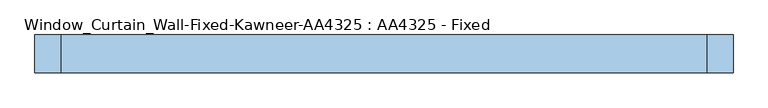
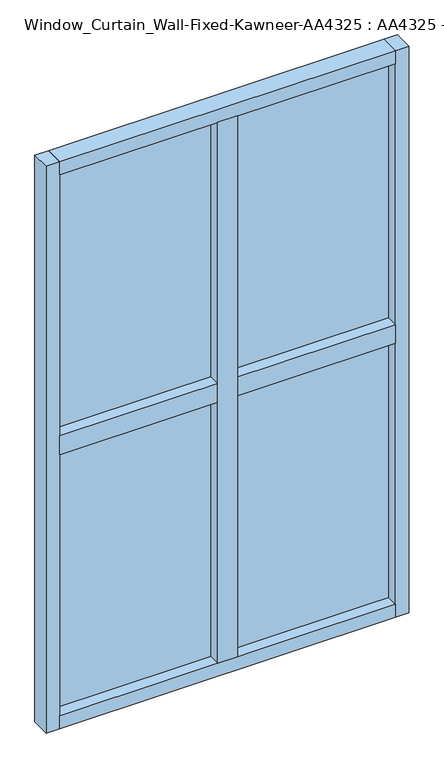
"""IFC4 building model written with IfcOpenShell, lengths in millimetres: window geometry, Window_Curtain_Wall-Fixed-Kawneer-AA4325 : AA4325 - Fixed."""

from ifc_helpers import new_model, si_unit, frame, origin, origin_with_axes, place, context, project, spatial, polyline, outline, extrude, source, transform, mapped, element, save


def window_curtain_wall_fixed_kawneer_aa4325_aa4325_fixed_8e82d17f(model_context):
    return source(origin(), model_context, "Body", "SweptSolid", [
        extrude(outline(polyline([(692.15, 34.925), (692.15, 9.525), (-717.55, 9.525), (-717.55, 34.925), (692.15, 34.925)])), frame((0.0, 0.0, 57.15), z_axis=(0.0, 0.0, 1.0), x_axis=(1.0, 0.0, 0.0)), (0.0, 0.0, 1.0), 2400.3),
        extrude(outline(polyline([(28.575, 41.275), (28.575, -41.275), (-53.975, -41.275), (-53.975, 41.275), (28.575, 41.275)])), frame((0.0, 0.0, 57.15), z_axis=(0.0, 0.0, 1.0), x_axis=(1.0, 0.0, 0.0)), (0.0, 0.0, 1.0), 2400.3),
        extrude(outline(polyline([(-717.55, -41.275), (-717.55, 41.275), (692.15, 41.275), (692.15, -41.275), (-717.55, -41.275)])), frame((0.0, 0.0, 1216.025), z_axis=(0.0, 0.0, 1.0), x_axis=(1.0, 0.0, 0.0)), (0.0, 0.0, 1.0), 82.55),
        extrude(outline(polyline([(692.15, 41.275), (692.15, -41.275), (-717.55, -41.275), (-717.55, 41.275), (692.15, 41.275)])), frame((0.0, 0.0, 2457.45), z_axis=(0.0, 0.0, 1.0), x_axis=(1.0, 0.0, 0.0)), (0.0, 0.0, 1.0), 57.15),
        extrude(outline(polyline([(692.15, 41.275), (692.15, -41.275), (-717.55, -41.275), (-717.55, 41.275), (692.15, 41.275)])), origin_with_axes(), (0.0, 0.0, 1.0), 57.15),
        extrude(outline(polyline([(-774.7, -41.275), (-774.7, 41.275), (-717.55, 41.275), (-717.55, -41.275), (-774.7, -41.275)])), origin_with_axes(), (0.0, 0.0, 1.0), 2514.6),
        extrude(outline(polyline([(749.3, -41.275), (692.15, -41.275), (692.15, 41.275), (749.3, 41.275), (749.3, -41.275)])), origin_with_axes(), (0.0, 0.0, 1.0), 2514.6),
    ])


if __name__ == "__main__":
    model = new_model("IFC4")
    model_context = context("Model", 3, world=origin())
    ifc_project = project(units=[si_unit("LENGTHUNIT", "METRE", prefix="MILLI")], contexts=[model_context])
    site = spatial("IfcSite", under=ifc_project)
    building = spatial("IfcBuilding", under=site)
    placement = place(None, origin())
    window_curtain_wall_fixed_kawneer_aa4325_aa4325_fixed_shape = window_curtain_wall_fixed_kawneer_aa4325_aa4325_fixed_8e82d17f(model_context)
    element("IfcWindow", 1, ObjectType="Window_Curtain_Wall-Fixed-Kawneer-AA4325 : AA4325 - Fixed", at=placement, inside=building, context=model_context, shape_type="MappedRepresentation", body=[
        mapped(window_curtain_wall_fixed_kawneer_aa4325_aa4325_fixed_shape, transform((0.0, 0.0, 0.0), x_axis=(1.0, 0.0, 0.0), y_axis=(0.0, 1.0, 0.0), z_axis=(0.0, 0.0, 1.0))),
    ])
    save(model, "model.ifc")
